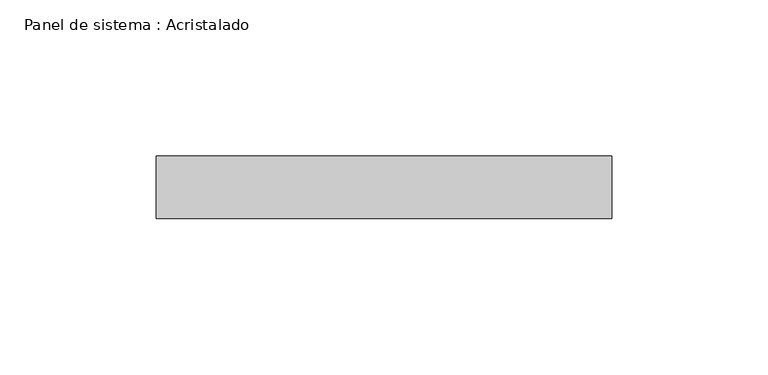
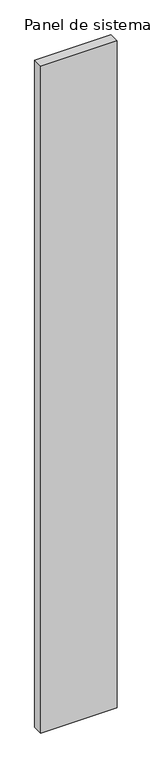
"""IFC4 building model written with IfcOpenShell, lengths in millimetres: plate geometry, Panel de sistema : Acristalado."""

from ifc_helpers import new_model, si_unit, origin, origin_with_axes, place, context, project, spatial, polyline, outline, extrude, source, transform, mapped, element, save


def panel_de_sistema_acristalado_96708419(model_context):
    return source(origin(), model_context, "Body", "SweptSolid", [
        extrude(outline(polyline([(73.0, -10.0), (-73.0, -10.0), (-73.0, 10.0), (73.0, 10.0), (73.0, -10.0)])), origin_with_axes(), (0.0, 0.0, 1.0), 1350.0),
    ])


if __name__ == "__main__":
    model = new_model("IFC4")
    model_context = context("Model", 3, world=origin())
    ifc_project = project(units=[si_unit("LENGTHUNIT", "METRE", prefix="MILLI")], contexts=[model_context])
    site = spatial("IfcSite", under=ifc_project)
    building = spatial("IfcBuilding", under=site)
    placement = place(None, origin())
    panel_de_sistema_acristalado_shape = panel_de_sistema_acristalado_96708419(model_context)
    element("IfcPlate", 1, ObjectType="Panel de sistema : Acristalado", at=placement, inside=building, context=model_context, shape_type="MappedRepresentation", body=[
        mapped(panel_de_sistema_acristalado_shape, transform((0.0, 0.0, 0.0), x_axis=(1.0, 0.0, 0.0), y_axis=(0.0, 1.0, 0.0), z_axis=(0.0, 0.0, 1.0))),
    ])
    save(model, "model.ifc")
